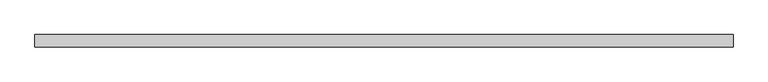
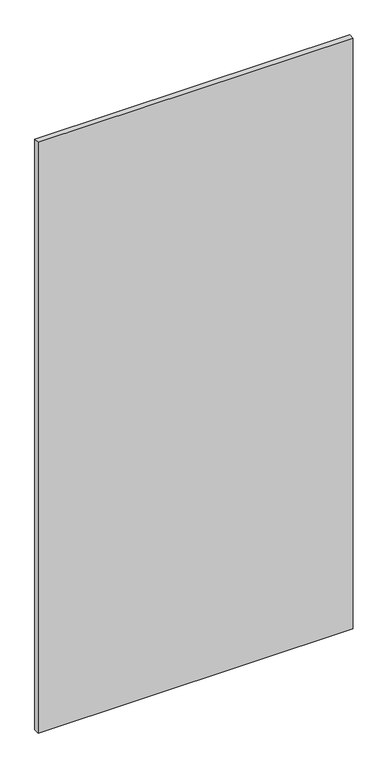
"""IFC4 building model written with IfcOpenShell, lengths in millimetres: proxy geometry."""

from ifc_helpers import new_model, si_unit, frame, origin, place, context, project, spatial, polyline, outline, extrude, source, transform, mapped, element, save


def specialty_equipment_4b22665f(model_context):
    return source(origin(), model_context, "Body", "SweptSolid", [
        extrude(outline(polyline([(536.7561264, 9.525), (536.7561264, -9.525), (-536.7561264, -9.525), (-536.7561264, 9.525), (536.7561264, 9.525)])), frame((0.0, 0.0, 3.175), z_axis=(0.0, 0.0, 1.0), x_axis=(1.0, 0.0, 0.0)), (0.0, 0.0, 1.0), 2127.25),
    ])


if __name__ == "__main__":
    model = new_model("IFC4")
    model_context = context("Model", 3, world=origin())
    ifc_project = project(units=[si_unit("LENGTHUNIT", "METRE", prefix="MILLI")], contexts=[model_context])
    site = spatial("IfcSite", under=ifc_project)
    building = spatial("IfcBuilding", under=site)
    placement = place(None, origin())
    specialty_equipment_shape = specialty_equipment_4b22665f(model_context)
    element("IfcBuildingElementProxy", 1, Name="Specialty Equipment", at=placement, inside=building, context=model_context, shape_type="MappedRepresentation", body=[
        mapped(specialty_equipment_shape, transform((0.0, 0.0, 0.0), x_axis=(1.0, 0.0, 0.0), y_axis=(0.0, 1.0, 0.0), z_axis=(0.0, 0.0, 1.0))),
    ])
    save(model, "model.ifc")
